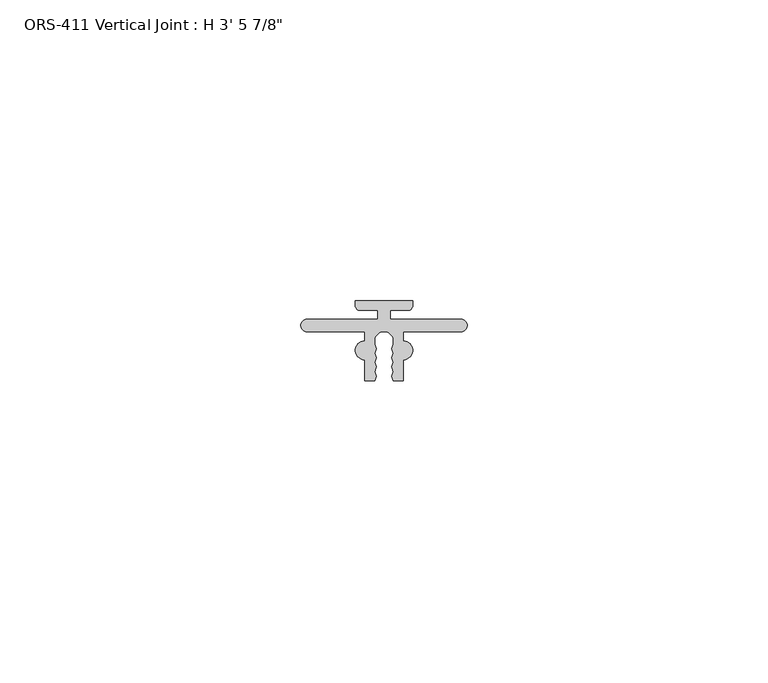
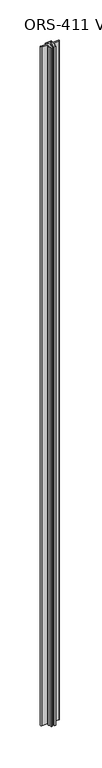
"""IFC4 building model written with IfcOpenShell, lengths in millimetres: proxy geometry."""

from ifc_helpers import new_model, si_unit, point, frame_2d, origin, origin_with_axes, place, context, project, spatial, polyline, circle_curve, trimmed, segment, composite_curve, outline, extrude, source, transform, mapped, element, save


def proxy_e0c97a57(model_context):
    return source(origin(), model_context, "Body", "SweptSolid", [
        extrude(outline(composite_curve([segment(trimmed(circle_curve(frame_2d((8.6978997, 0.522225)), 1.5748), [point((8.6976462, -1.052575))], [point((8.6976462, 2.097025))], False, "CARTESIAN"), True, "CONTINUOUS"), segment(polyline([(8.6976462, 2.097025), (8.6976462, 3.582925), (7.2987957, 3.582925), (-0.8617461, 3.582925)]), True, "CONTINUOUS"), segment(trimmed(circle_curve(frame_2d((-0.8617461, 4.649725)), 1.0668), [point((-0.8617461, 3.582925))], [point((-0.8617461, 5.716525))], False, "CARTESIAN"), True, "CONTINUOUS"), segment(polyline([(-0.8617461, 5.716525), (7.2987957, 5.716525), (10.8204001, 5.716525), (10.8204001, 7.1440039), (7.9197201, 7.1440039)]), True, "CONTINUOUS"), segment(trimmed(circle_curve(frame_2d((7.9197201, 7.9390239)), 0.79502), [point((7.9197201, 7.1440039))], [point((7.1247001, 7.9390239))], False, "CARTESIAN"), True, "CONTINUOUS"), segment(polyline([(7.1247001, 7.9390239), (7.1247001, 8.7315039), (16.6497001, 8.7315039), (16.6497001, 7.9390239)]), True, "CONTINUOUS"), segment(trimmed(circle_curve(frame_2d((15.8546801, 7.9390239)), 0.79502), [point((16.6497001, 7.9390239))], [point((15.8546801, 7.1440039))], False, "CARTESIAN"), True, "CONTINUOUS"), segment(polyline([(15.8546801, 7.1440039), (12.9540001, 7.1440039), (12.9540001, 5.716525), (16.4756045, 5.716525), (24.6361462, 5.716525)]), True, "CONTINUOUS"), segment(trimmed(circle_curve(frame_2d((24.6361462, 4.649725)), 1.0668), [point((24.6361462, 5.716525))], [point((24.6361462, 3.582925))], False, "CARTESIAN"), True, "CONTINUOUS"), segment(polyline([(24.6361462, 3.582925), (16.4756045, 3.582925), (15.0767539, 3.582925), (15.0767539, 2.097025)]), True, "CONTINUOUS"), segment(trimmed(circle_curve(frame_2d((15.0765005, 0.522225)), 1.5748), [point((15.0767539, 2.097025))], [point((15.0767539, -1.052575))], False, "CARTESIAN"), True, "CONTINUOUS"), segment(polyline([(15.0767539, -1.052575), (15.0767539, -4.557775), (13.4112, -4.557775), (13.1572, -3.7760434), (13.4112, -3.0262433), (13.1572, -2.2445116), (13.4112, -1.4947116), (13.1572, -0.7129799), (13.4112, 0.0368201), (13.1572, 0.8185518), (13.4112, 1.5683518), (13.4112, 2.6177247)]), True, "CONTINUOUS"), segment(trimmed(circle_curve(frame_2d((11.8872001, 1.9464393)), 1.6652927), [point((13.4112, 2.6177247))], [point((11.8872001, 3.611732))], True, "CARTESIAN"), True, "CONTINUOUS"), segment(trimmed(circle_curve(frame_2d((11.8872001, 1.9464393)), 1.6652927), [point((11.8872001, 3.611732))], [point((10.3632002, 2.6177247))], True, "CARTESIAN"), True, "CONTINUOUS"), segment(polyline([(10.3632002, 2.6177247), (10.3632002, 1.5683518), (10.6172002, 0.8185518), (10.3632002, 0.0368201), (10.6172002, -0.7129799), (10.3632002, -1.4947116), (10.6172002, -2.2445116), (10.3632002, -3.0262433), (10.6172002, -3.7760434), (10.3632002, -4.557775), (8.6976462, -4.557775), (8.6976462, -1.052575)]), True, "CONTINUOUS")], self_intersect=False)), origin_with_axes(), (0.0, 0.0, 1.0), 1063.625),
    ])


if __name__ == "__main__":
    model = new_model("IFC4")
    model_context = context("Model", 3, world=origin())
    ifc_project = project(units=[si_unit("LENGTHUNIT", "METRE", prefix="MILLI")], contexts=[model_context])
    site = spatial("IfcSite", under=ifc_project)
    building = spatial("IfcBuilding", under=site)
    placement = place(None, origin())
    proxy_shape = proxy_e0c97a57(model_context)
    element("IfcBuildingElementProxy", 1, Name="ORS-411 Vertical Joint : H 3' 5 7/8\"", ObjectType="ORS-411 Vertical Joint : H 3' 5 7/8\"", at=placement, inside=building, context=model_context, shape_type="MappedRepresentation", body=[
        mapped(proxy_shape, transform((0.0, 0.0, 0.0), x_axis=(1.0, 0.0, 0.0), y_axis=(0.0, 1.0, 0.0), z_axis=(0.0, 0.0, 1.0))),
    ])
    save(model, "model.ifc")
